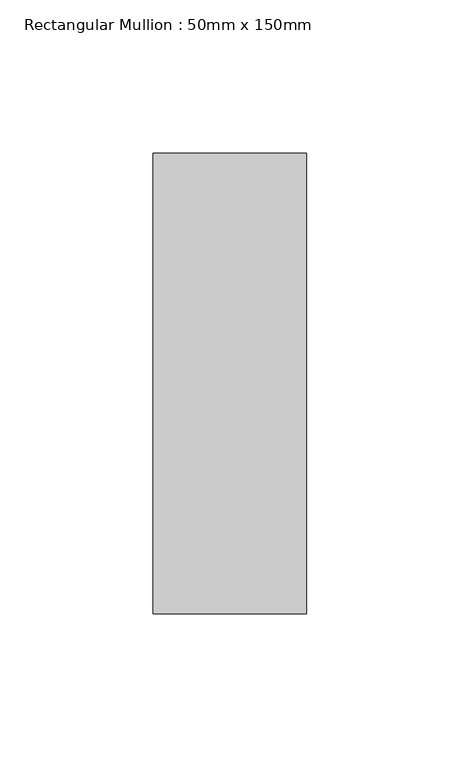
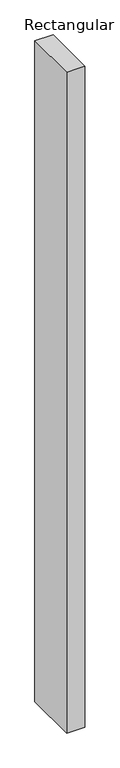
"""IFC4 building model written with IfcOpenShell, lengths in millimetres: member geometry, Rectangular Mullion : 50mm x 150mm."""

import ifcopenshell
import ifcopenshell.guid

model = None  # the IFC model being written
_history = None  # IfcOwnerHistory: only IFC2X3 demands one
_inside = {}  # id of a spatial element -> (the spatial element, [elements in it])
_under = {}  # id of a project, library or spatial element -> (it, [spatial elements below it])
_declared = {}  # id of a project -> (the project, [libraries it declares])
_typed = {}  # id of a type object -> (the type object, [elements of that type])
_made_of = {}  # id of a material, layer set ... -> (it, [elements and type objects made of it])


def new_model(schema):
    """Start an empty IFC model of exactly this schema.

    Asked for "IFC4X3", IfcOpenShell would pick the latest addendum, in which some entities
    have other attributes; the version numbers below select the first issue.
    IFC2X3 requires an IfcOwnerHistory on every rooted entity: one is made here for all.
    """
    global model, _history
    if schema == "IFC4X3":
        model = ifcopenshell.file(schema_version=(4, 3, 0, 0))
    else:
        model = ifcopenshell.file(schema=schema)
    _inside.clear()
    _under.clear()
    _declared.clear()
    _typed.clear()
    _made_of.clear()
    _history = None
    if model.schema == "IFC2X3":
        org = make("IfcOrganization", Name="unknown")
        user = make(
            "IfcPersonAndOrganization",
            ThePerson=make("IfcPerson", FamilyName="unknown"),
            TheOrganization=org,
        )
        app = make(
            "IfcApplication",
            ApplicationDeveloper=org,
            Version="unknown",
            ApplicationFullName="unknown",
            ApplicationIdentifier="unknown",
        )
        _history = make(
            "IfcOwnerHistory",
            OwningUser=user,
            OwningApplication=app,
            ChangeAction="ADDED",
            CreationDate=0,
        )
    return model


def make(cls, **values):
    """One entity of the class cls with the attributes given. An attribute that is None is left unset."""
    return model.create_entity(
        cls, **{name: value for name, value in values.items() if value is not None}
    )


def rooted(cls, **values):
    """An entity with a GlobalId (a new one), such as an element, a storey or a relation."""
    return make(cls, GlobalId=ifcopenshell.guid.new(), OwnerHistory=_history, **values)


def si_unit(unit_type, name, prefix=None):
    """IfcSIUnit, for example si_unit("LENGTHUNIT", "METRE", prefix="MILLI")."""
    return make("IfcSIUnit", UnitType=unit_type, Prefix=prefix, Name=name)


def assignment(units):
    """IfcUnitAssignment: the units of a project."""
    return None if units is None else make("IfcUnitAssignment", Units=units)


def point(xyz):
    """IfcCartesianPoint."""
    return None if xyz is None else make("IfcCartesianPoint", Coordinates=xyz)


def direction(xyz):
    """IfcDirection."""
    return None if xyz is None else make("IfcDirection", DirectionRatios=xyz)


def frame(location, z_axis=None, x_axis=None):
    """IfcAxis2Placement3D, a coordinate frame: its origin and axes. An axis left out is left unset."""
    return make(
        "IfcAxis2Placement3D",
        Location=point(location),
        Axis=direction(z_axis),
        RefDirection=direction(x_axis),
    )


def origin():
    """The frame at (0, 0, 0) with its axes left unset."""
    return frame((0.0, 0.0, 0.0))


def place(relative_to, where):
    """IfcLocalPlacement: puts the frame where relative to a parent placement (None: the world)."""
    return make(
        "IfcLocalPlacement", PlacementRelTo=relative_to, RelativePlacement=where
    )


def context(
    kind, dimensions, precision=None, world=None, true_north=None, identifier=None
):
    """IfcGeometricRepresentationContext, for example the 3D "Model" context."""
    return make(
        "IfcGeometricRepresentationContext",
        ContextIdentifier=identifier,
        ContextType=kind,
        CoordinateSpaceDimension=dimensions,
        Precision=precision,
        WorldCoordinateSystem=world,
        TrueNorth=true_north,
    )


def project(units=None, contexts=None):
    """IfcProject with its units and contexts."""
    return rooted(
        "IfcProject",
        Name="project",
        RepresentationContexts=contexts,
        UnitsInContext=assignment(units),
    )


def spatial(cls, under=None, at=None, **own):
    """A site, building, storey or space (cls), placed at a placement, below another one or the project."""
    s = rooted(cls, ObjectPlacement=at, **own)
    if under is not None:
        _under.setdefault(under.id(), (under, []))[1].append(s)
    return s


def polyline(points):
    """IfcPolyline through the points."""
    return make("IfcPolyline", Points=[point(p) for p in points])


def outline(outer, holes=None, kind="AREA"):
    """IfcArbitraryClosedProfileDef: a profile drawn as a closed curve; with holes, ...WithVoids."""
    if holes is None:
        return make("IfcArbitraryClosedProfileDef", ProfileType=kind, OuterCurve=outer)
    return make(
        "IfcArbitraryProfileDefWithVoids",
        ProfileType=kind,
        OuterCurve=outer,
        InnerCurves=holes,
    )


def extrude(swept, where, along, depth):
    """IfcExtrudedAreaSolid: the profile swept, set in the frame where, extruded along a direction by depth."""
    return make(
        "IfcExtrudedAreaSolid",
        SweptArea=swept,
        Position=where,
        ExtrudedDirection=direction(along),
        Depth=depth,
    )


def shape(context_of_items, identifier, shape_type, items):
    """IfcShapeRepresentation: the items that make up one representation, for example the "Body"."""
    return make(
        "IfcShapeRepresentation",
        ContextOfItems=context_of_items,
        RepresentationIdentifier=identifier,
        RepresentationType=shape_type,
        Items=items,
    )


def source(mapping_origin, context_of_items, identifier, shape_type, items):
    """IfcRepresentationMap: a shape defined once, which mapped items show again and again."""
    return make(
        "IfcRepresentationMap",
        MappingOrigin=mapping_origin,
        MappedRepresentation=shape(context_of_items, identifier, shape_type, items),
    )


def transform(
    local_origin,
    x_axis=None,
    y_axis=None,
    z_axis=None,
    scale=None,
    scale2=None,
    scale3=None,
    uniform=True,
):
    """IfcCartesianTransformationOperator3D, or its non-uniform kind. x_axis, y_axis, z_axis: its Axis1, 2, 3."""
    if uniform:
        return make(
            "IfcCartesianTransformationOperator3D",
            Axis1=direction(x_axis),
            Axis2=direction(y_axis),
            LocalOrigin=point(local_origin),
            Scale=scale,
            Axis3=direction(z_axis),
        )
    return make(
        "IfcCartesianTransformationOperator3DnonUniform",
        Axis1=direction(x_axis),
        Axis2=direction(y_axis),
        LocalOrigin=point(local_origin),
        Scale=scale,
        Axis3=direction(z_axis),
        Scale2=scale2,
        Scale3=scale3,
    )


def mapped(mapping_source, mapping_target):
    """IfcMappedItem: shows the shape of a source again, moved by a transform."""
    return make(
        "IfcMappedItem", MappingSource=mapping_source, MappingTarget=mapping_target
    )


def made_of(thing, what):
    """Note that an element or type object is made of a material, layer set ...; save() writes the relation."""
    if what is not None:
        _made_of.setdefault(what.id(), (what, []))[1].append(thing)
    return thing


def element(
    cls,
    number,
    at=None,
    inside=None,
    cuts=None,
    type_object=None,
    material=None,
    context=None,
    identifier="Body",
    shape_type=None,
    held_by="IfcProductDefinitionShape",
    body=None,
    shapes=None,
    **own,
):
    """One element of the class cls, such as IfcWall. Its Tag is "e" and its number.

    at: its placement. inside: the storey or other place that contains it. cuts: it is an
    opening in that element (IfcRelVoidsElement). A single representation is given by context,
    identifier, shape_type and body (its items); several are given by shapes. held_by: the class
    of the entity that holds the representations. save() writes the other relations.
    """
    e = rooted(cls, Tag="e%d" % number, ObjectPlacement=at, **own)
    if body is not None:
        shapes = [shape(context, identifier, shape_type, body)]
    if shapes is not None:
        e.Representation = make(held_by, Representations=shapes)
    if inside is not None:
        _inside.setdefault(inside.id(), (inside, []))[1].append(e)
    if cuts is not None:
        rooted(
            "IfcRelVoidsElement", RelatingBuildingElement=cuts, RelatedOpeningElement=e
        )
    if type_object is not None:
        _typed.setdefault(type_object.id(), (type_object, []))[1].append(e)
    return made_of(e, material)


def aggregate(whole, parts):
    """IfcRelAggregates: a whole, such as a stair, and the parts it consists of."""
    return rooted("IfcRelAggregates", RelatingObject=whole, RelatedObjects=parts)


def save(model, path):
    """Write the relations noted so far, then the file.

    IfcRelAggregates (storeys below a building ...), IfcRelContainedInSpatialStructure (elements
    in a storey), IfcRelDefinesByType, IfcRelAssociatesMaterial and IfcRelDeclares: one each for
    every whole, place, type object, material and project.
    """
    for whole, parts in _under.values():
        aggregate(whole, parts)
    for where, things in _inside.values():
        rooted(
            "IfcRelContainedInSpatialStructure",
            RelatedElements=things,
            RelatingStructure=where,
        )
    for kind, things in _typed.values():
        rooted("IfcRelDefinesByType", RelatedObjects=things, RelatingType=kind)
    for what, things in _made_of.values():
        rooted("IfcRelAssociatesMaterial", RelatedObjects=things, RelatingMaterial=what)
    for by, libraries in _declared.values():
        rooted("IfcRelDeclares", RelatingContext=by, RelatedDefinitions=libraries)
    model.write(path)


def rectangular_mullion_50mm_x_150mm_18810bf1(model_context):
    return source(origin(), model_context, "Body", "SweptSolid", [
        extrude(outline(polyline([(0.0, 75.0), (0.0, -75.0), (-50.0, -75.0), (-50.0, 75.0), (0.0, 75.0)])), frame((0.0, 0.0, -1911.4113297), z_axis=(0.0, 0.0, 1.0), x_axis=(1.0, 0.0, 0.0)), (0.0, 0.0, 1.0), 1911.4113297),
    ])


if __name__ == "__main__":
    model = new_model("IFC4")
    model_context = context("Model", 3, world=origin())
    ifc_project = project(units=[si_unit("LENGTHUNIT", "METRE", prefix="MILLI")], contexts=[model_context])
    site = spatial("IfcSite", under=ifc_project)
    building = spatial("IfcBuilding", under=site)
    placement = place(None, origin())
    rectangular_mullion_50mm_x_150mm_shape = rectangular_mullion_50mm_x_150mm_18810bf1(model_context)
    element("IfcMember", 1, ObjectType="Rectangular Mullion : 50mm x 150mm", at=placement, inside=building, context=model_context, shape_type="MappedRepresentation", body=[
        mapped(rectangular_mullion_50mm_x_150mm_shape, transform((0.0, 0.0, 0.0), x_axis=(1.0, 0.0, 0.0), y_axis=(0.0, 1.0, 0.0), z_axis=(0.0, 0.0, 1.0))),
    ])
    save(model, "model.ifc")
